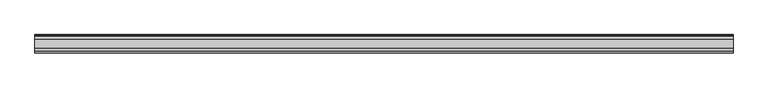
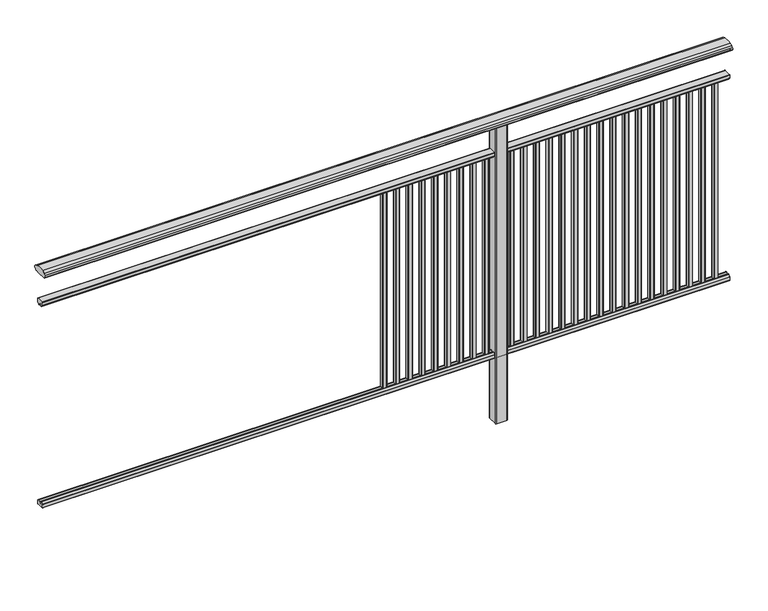
"""IFC4 building model written with IfcOpenShell, lengths in millimetres: railing geometry."""

from ifc_helpers import new_model, si_unit, point, frame, frame_2d, origin, place, context, project, spatial, polyline, circle_curve, trimmed, segment, composite_curve, outline, extrude, source, transform, mapped, element, save


def railing_128df89b(model_context):
    return source(origin(), model_context, "Body", "SweptSolid", [
        extrude(outline(composite_curve([segment(trimmed(circle_curve(frame_2d((7230.3619413, 1153.851602)), 44.999996), [point((7241.0673858, 1197.5596459))], [point((7253.2601573, 1192.5901015))], False, "CARTESIAN"), True, "CONTINUOUS"), segment(trimmed(circle_curve(frame_2d((7244.6097194, 1177.955556)), 17.0), [point((7253.2601573, 1192.5901015))], [point((7259.1544589, 1186.7561556))], False, "CARTESIAN"), True, "CONTINUOUS"), segment(trimmed(circle_curve(frame_2d((7252.0959826, 1182.4852765)), 8.2499997), [point((7259.1544589, 1186.7561556))], [point((7259.1544535, 1178.2143885))], False, "CARTESIAN"), True, "CONTINUOUS"), segment(trimmed(circle_curve(frame_2d((7244.6097251, 1187.0150065)), 17.0), [point((7259.1544535, 1178.2143885))], [point((7253.2601665, 1172.380463))], False, "CARTESIAN"), True, "CONTINUOUS"), segment(trimmed(circle_curve(frame_2d((7230.3619413, 1211.1189571)), 44.999996), [point((7253.2601665, 1172.380463))], [point((7248.7876029, 1170.064181))], False, "CARTESIAN"), True, "CONTINUOUS"), segment(trimmed(circle_curve(frame_2d((7248.1786159, 1172.1635324)), 2.185896), [point((7248.7876029, 1170.064181))], [point((7247.9960148, 1169.9852766))], False, "CARTESIAN"), True, "CONTINUOUS"), segment(trimmed(circle_curve(frame_2d((7247.9960148, 1170.8852766)), 0.9), [point((7247.9960148, 1169.9852766))], [point((7247.0981091, 1170.8239135))], False, "CARTESIAN"), True, "CONTINUOUS"), segment(trimmed(circle_curve(frame_2d((7246.5194733, 1170.8239135)), 0.5786359), [point((7247.0981091, 1170.8239135))], [point((7246.5194733, 1170.2452777))], False, "CARTESIAN"), True, "CONTINUOUS"), segment(polyline([(7246.5194733, 1170.2452777), (7229.5751393, 1170.2452777)]), True, "CONTINUOUS"), segment(trimmed(circle_curve(frame_2d((7220.8508208, 1187.1238497)), 18.999998), [point((7229.5751393, 1170.2452777))], [point((7212.1265024, 1170.2452777))], False, "CARTESIAN"), True, "CONTINUOUS"), segment(polyline([(7212.1265024, 1170.2452777), (7195.1821348, 1170.2452777)]), True, "CONTINUOUS"), segment(trimmed(circle_curve(frame_2d((7195.1821348, 1170.8239135)), 0.5786359), [point((7195.1821348, 1170.2452777))], [point((7194.603499, 1170.8239135))], False, "CARTESIAN"), True, "CONTINUOUS"), segment(trimmed(circle_curve(frame_2d((7193.7055933, 1170.8852766)), 0.9), [point((7194.603499, 1170.8239135))], [point((7193.7055933, 1169.9852766))], False, "CARTESIAN"), True, "CONTINUOUS"), segment(trimmed(circle_curve(frame_2d((7193.5229922, 1172.1635324)), 2.185896), [point((7193.7055933, 1169.9852766))], [point((7192.9140052, 1170.064181))], False, "CARTESIAN"), True, "CONTINUOUS"), segment(trimmed(circle_curve(frame_2d((7211.3396668, 1211.1189571)), 44.999996), [point((7192.9140052, 1170.064181))], [point((7188.8767914, 1172.1264081))], False, "CARTESIAN"), True, "CONTINUOUS"), segment(trimmed(circle_curve(frame_2d((7197.082215, 1187.0150288)), 17.0), [point((7188.8767914, 1172.1264081))], [point((7182.5375128, 1178.2143675))], False, "CARTESIAN"), True, "CONTINUOUS"), segment(trimmed(circle_curve(frame_2d((7189.595971, 1182.4852765)), 8.2499997), [point((7182.5375128, 1178.2143675))], [point((7182.5375074, 1186.7561766))], False, "CARTESIAN"), True, "CONTINUOUS"), segment(trimmed(circle_curve(frame_2d((7197.0822207, 1177.9555337)), 17.0), [point((7182.5375074, 1186.7561766))], [point((7188.4317599, 1192.5900657))], False, "CARTESIAN"), True, "CONTINUOUS"), segment(trimmed(circle_curve(frame_2d((7211.3300365, 1153.851602)), 44.999996), [point((7188.4317599, 1192.5900657))], [point((7200.624592, 1197.5596459))], False, "CARTESIAN"), True, "CONTINUOUS"), segment(trimmed(circle_curve(frame_2d((7220.8459889, 1115.0000001)), 85.0), [point((7200.624592, 1197.5596459))], [point((7241.0673858, 1197.5596459))], False, "CARTESIAN"), True, "CONTINUOUS")], self_intersect=False)), frame((3671.3946925, 0.0, 0.0), z_axis=(1.0, 0.0, 0.0), x_axis=(0.0, 1.0, 0.0)), (0.0, 0.0, 1.0), 3000.0),
        extrude(outline(composite_curve([segment(polyline([(7236.5508136, 100.0), (7205.1507946, 100.0)]), True, "CONTINUOUS"), segment(trimmed(circle_curve(frame_2d((7205.1507946, 101.8)), 1.8), [point((7205.1507946, 100.0))], [point((7203.3507946, 101.8))], False, "CARTESIAN"), True, "CONTINUOUS"), segment(polyline([(7203.3507946, 101.8), (7203.3507946, 115.5269955)]), True, "CONTINUOUS"), segment(trimmed(circle_curve(frame_2d((7205.1507946, 115.5269955)), 1.8), [point((7203.3507946, 115.5269955))], [point((7203.7923399, 116.7079277))], False, "CARTESIAN"), True, "CONTINUOUS"), segment(polyline([(7203.7923399, 116.7079277), (7210.4626384, 124.3809322)]), True, "CONTINUOUS"), segment(trimmed(circle_curve(frame_2d((7211.8210931, 123.2)), 1.8), [point((7210.4626384, 124.3809322))], [point((7211.8210931, 125.0))], False, "CARTESIAN"), True, "CONTINUOUS"), segment(polyline([(7211.8210931, 125.0), (7215.5111113, 125.0), (7216.809143, 113.0), (7224.8924411, 113.0), (7226.1904978, 125.0), (7229.88054, 125.0)]), True, "CONTINUOUS"), segment(trimmed(circle_curve(frame_2d((7229.88054, 123.2)), 1.8), [point((7229.88054, 125.0))], [point((7231.2389969, 124.3809297))], False, "CARTESIAN"), True, "CONTINUOUS"), segment(polyline([(7231.2389969, 124.3809297), (7237.9092704, 116.7079252)]), True, "CONTINUOUS"), segment(trimmed(circle_curve(frame_2d((7236.5508136, 115.5269955)), 1.8), [point((7237.9092704, 116.7079252))], [point((7238.3508136, 115.5269955))], False, "CARTESIAN"), True, "CONTINUOUS"), segment(polyline([(7238.3508136, 115.5269955), (7238.3508136, 101.8)]), True, "CONTINUOUS"), segment(trimmed(circle_curve(frame_2d((7236.5508136, 101.8)), 1.8), [point((7238.3508136, 101.8))], [point((7236.5508136, 100.0))], False, "CARTESIAN"), True, "CONTINUOUS")], self_intersect=False)), frame((3671.3946925, 0.0, 0.0), z_axis=(1.0, 0.0, 0.0), x_axis=(0.0, 1.0, 0.0)), (0.0, 0.0, 1.0), 3000.0),
        extrude(outline(composite_curve([segment(polyline([(7205.1507946, 1050.0), (7236.5508136, 1050.0)]), True, "CONTINUOUS"), segment(trimmed(circle_curve(frame_2d((7236.5508136, 1048.2)), 1.8), [point((7236.5508136, 1050.0))], [point((7238.3508136, 1048.2))], False, "CARTESIAN"), True, "CONTINUOUS"), segment(polyline([(7238.3508136, 1048.2), (7238.3508136, 1034.4730045)]), True, "CONTINUOUS"), segment(trimmed(circle_curve(frame_2d((7236.5508136, 1034.4730045)), 1.8), [point((7238.3508136, 1034.4730045))], [point((7237.9092704, 1033.2920748))], False, "CARTESIAN"), True, "CONTINUOUS"), segment(polyline([(7237.9092704, 1033.2920748), (7231.2389969, 1025.6190703)]), True, "CONTINUOUS"), segment(trimmed(circle_curve(frame_2d((7229.88054, 1026.8)), 1.8), [point((7231.2389969, 1025.6190703))], [point((7229.88054, 1025.0))], False, "CARTESIAN"), True, "CONTINUOUS"), segment(polyline([(7229.88054, 1025.0), (7226.1904978, 1025.0), (7224.8924411, 1037.0), (7216.809143, 1037.0), (7215.5111113, 1025.0), (7211.8210931, 1025.0)]), True, "CONTINUOUS"), segment(trimmed(circle_curve(frame_2d((7211.8210931, 1026.8)), 1.8), [point((7211.8210931, 1025.0))], [point((7210.4626384, 1025.6190678))], False, "CARTESIAN"), True, "CONTINUOUS"), segment(polyline([(7210.4626384, 1025.6190678), (7203.7923399, 1033.2920723)]), True, "CONTINUOUS"), segment(trimmed(circle_curve(frame_2d((7205.1507946, 1034.4730045)), 1.8), [point((7203.7923399, 1033.2920723))], [point((7203.3507946, 1034.4730045))], False, "CARTESIAN"), True, "CONTINUOUS"), segment(polyline([(7203.3507946, 1034.4730045), (7203.3507946, 1048.2)]), True, "CONTINUOUS"), segment(trimmed(circle_curve(frame_2d((7205.1507946, 1048.2)), 1.8), [point((7203.3507946, 1048.2))], [point((7205.1507946, 1050.0))], False, "CARTESIAN"), True, "CONTINUOUS")], self_intersect=False)), frame((3671.3946925, 0.0, 0.0), z_axis=(1.0, 0.0, 0.0), x_axis=(0.0, 1.0, 0.0)), (0.0, 0.0, 1.0), 3000.0),
        extrude(outline(composite_curve([segment(trimmed(circle_curve(frame_2d((6608.2391355, 7228.4508236)), 1.4), [point((6606.8391355, 7228.4508236))], [point((6608.2391355, 7229.8508236))], False, "CARTESIAN"), True, "CONTINUOUS"), segment(polyline([(6608.2391355, 7229.8508236), (6623.4391385, 7229.8508236)]), True, "CONTINUOUS"), segment(trimmed(circle_curve(frame_2d((6623.4391385, 7228.4508236)), 1.4), [point((6623.4391385, 7229.8508236))], [point((6624.8391385, 7228.4508236))], False, "CARTESIAN"), True, "CONTINUOUS"), segment(polyline([(6624.8391385, 7228.4508236), (6624.8391385, 7213.2507846)]), True, "CONTINUOUS"), segment(trimmed(circle_curve(frame_2d((6623.4391385, 7213.2507846)), 1.4), [point((6624.8391385, 7213.2507846))], [point((6623.4391385, 7211.8507846))], False, "CARTESIAN"), True, "CONTINUOUS"), segment(polyline([(6623.4391385, 7211.8507846), (6608.2391355, 7211.8507846)]), True, "CONTINUOUS"), segment(trimmed(circle_curve(frame_2d((6608.2391355, 7213.2507846)), 1.4), [point((6608.2391355, 7211.8507846))], [point((6606.8391355, 7213.2507846))], False, "CARTESIAN"), True, "CONTINUOUS"), segment(polyline([(6606.8391355, 7213.2507846), (6606.8391355, 7228.4508236)]), True, "CONTINUOUS")], self_intersect=False)), frame((0.0, 0.0, 125.0), z_axis=(0.0, 0.0, 1.0), x_axis=(1.0, 0.0, 0.0)), (0.0, 0.0, 1.0), 900.0),
        extrude(outline(composite_curve([segment(trimmed(circle_curve(frame_2d((6552.6835799, 7228.4508236)), 1.4), [point((6551.2835799, 7228.4508236))], [point((6552.6835799, 7229.8508236))], False, "CARTESIAN"), True, "CONTINUOUS"), segment(polyline([(6552.6835799, 7229.8508236), (6567.8835829, 7229.8508236)]), True, "CONTINUOUS"), segment(trimmed(circle_curve(frame_2d((6567.8835829, 7228.4508236)), 1.4), [point((6567.8835829, 7229.8508236))], [point((6569.2835829, 7228.4508236))], False, "CARTESIAN"), True, "CONTINUOUS"), segment(polyline([(6569.2835829, 7228.4508236), (6569.2835829, 7213.2507846)]), True, "CONTINUOUS"), segment(trimmed(circle_curve(frame_2d((6567.8835829, 7213.2507846)), 1.4), [point((6569.2835829, 7213.2507846))], [point((6567.8835829, 7211.8507846))], False, "CARTESIAN"), True, "CONTINUOUS"), segment(polyline([(6567.8835829, 7211.8507846), (6552.6835799, 7211.8507846)]), True, "CONTINUOUS"), segment(trimmed(circle_curve(frame_2d((6552.6835799, 7213.2507846)), 1.4), [point((6552.6835799, 7211.8507846))], [point((6551.2835799, 7213.2507846))], False, "CARTESIAN"), True, "CONTINUOUS"), segment(polyline([(6551.2835799, 7213.2507846), (6551.2835799, 7228.4508236)]), True, "CONTINUOUS")], self_intersect=False)), frame((0.0, 0.0, 125.0), z_axis=(0.0, 0.0, 1.0), x_axis=(1.0, 0.0, 0.0)), (0.0, 0.0, 1.0), 900.0),
        extrude(outline(composite_curve([segment(trimmed(circle_curve(frame_2d((6497.1280244, 7228.4508236)), 1.4), [point((6495.7280244, 7228.4508236))], [point((6497.1280244, 7229.8508236))], False, "CARTESIAN"), True, "CONTINUOUS"), segment(polyline([(6497.1280244, 7229.8508236), (6512.3280274, 7229.8508236)]), True, "CONTINUOUS"), segment(trimmed(circle_curve(frame_2d((6512.3280274, 7228.4508236)), 1.4), [point((6512.3280274, 7229.8508236))], [point((6513.7280274, 7228.4508236))], False, "CARTESIAN"), True, "CONTINUOUS"), segment(polyline([(6513.7280274, 7228.4508236), (6513.7280274, 7213.2507846)]), True, "CONTINUOUS"), segment(trimmed(circle_curve(frame_2d((6512.3280274, 7213.2507846)), 1.4), [point((6513.7280274, 7213.2507846))], [point((6512.3280274, 7211.8507846))], False, "CARTESIAN"), True, "CONTINUOUS"), segment(polyline([(6512.3280274, 7211.8507846), (6497.1280244, 7211.8507846)]), True, "CONTINUOUS"), segment(trimmed(circle_curve(frame_2d((6497.1280244, 7213.2507846)), 1.4), [point((6497.1280244, 7211.8507846))], [point((6495.7280244, 7213.2507846))], False, "CARTESIAN"), True, "CONTINUOUS"), segment(polyline([(6495.7280244, 7213.2507846), (6495.7280244, 7228.4508236)]), True, "CONTINUOUS")], self_intersect=False)), frame((0.0, 0.0, 125.0), z_axis=(0.0, 0.0, 1.0), x_axis=(1.0, 0.0, 0.0)), (0.0, 0.0, 1.0), 900.0),
        extrude(outline(composite_curve([segment(trimmed(circle_curve(frame_2d((6441.5724688, 7228.4508236)), 1.4), [point((6440.1724688, 7228.4508236))], [point((6441.5724688, 7229.8508236))], False, "CARTESIAN"), True, "CONTINUOUS"), segment(polyline([(6441.5724688, 7229.8508236), (6456.7724718, 7229.8508236)]), True, "CONTINUOUS"), segment(trimmed(circle_curve(frame_2d((6456.7724718, 7228.4508236)), 1.4), [point((6456.7724718, 7229.8508236))], [point((6458.1724718, 7228.4508236))], False, "CARTESIAN"), True, "CONTINUOUS"), segment(polyline([(6458.1724718, 7228.4508236), (6458.1724718, 7213.2507846)]), True, "CONTINUOUS"), segment(trimmed(circle_curve(frame_2d((6456.7724718, 7213.2507846)), 1.4), [point((6458.1724718, 7213.2507846))], [point((6456.7724718, 7211.8507846))], False, "CARTESIAN"), True, "CONTINUOUS"), segment(polyline([(6456.7724718, 7211.8507846), (6441.5724688, 7211.8507846)]), True, "CONTINUOUS"), segment(trimmed(circle_curve(frame_2d((6441.5724688, 7213.2507846)), 1.4), [point((6441.5724688, 7211.8507846))], [point((6440.1724688, 7213.2507846))], False, "CARTESIAN"), True, "CONTINUOUS"), segment(polyline([(6440.1724688, 7213.2507846), (6440.1724688, 7228.4508236)]), True, "CONTINUOUS")], self_intersect=False)), frame((0.0, 0.0, 125.0), z_axis=(0.0, 0.0, 1.0), x_axis=(1.0, 0.0, 0.0)), (0.0, 0.0, 1.0), 900.0),
        extrude(outline(composite_curve([segment(trimmed(circle_curve(frame_2d((6386.0169133, 7228.4508236)), 1.4), [point((6384.6169133, 7228.4508236))], [point((6386.0169133, 7229.8508236))], False, "CARTESIAN"), True, "CONTINUOUS"), segment(polyline([(6386.0169133, 7229.8508236), (6401.2169163, 7229.8508236)]), True, "CONTINUOUS"), segment(trimmed(circle_curve(frame_2d((6401.2169163, 7228.4508236)), 1.4), [point((6401.2169163, 7229.8508236))], [point((6402.6169163, 7228.4508236))], False, "CARTESIAN"), True, "CONTINUOUS"), segment(polyline([(6402.6169163, 7228.4508236), (6402.6169163, 7213.2507846)]), True, "CONTINUOUS"), segment(trimmed(circle_curve(frame_2d((6401.2169163, 7213.2507846)), 1.4), [point((6402.6169163, 7213.2507846))], [point((6401.2169163, 7211.8507846))], False, "CARTESIAN"), True, "CONTINUOUS"), segment(polyline([(6401.2169163, 7211.8507846), (6386.0169133, 7211.8507846)]), True, "CONTINUOUS"), segment(trimmed(circle_curve(frame_2d((6386.0169133, 7213.2507846)), 1.4), [point((6386.0169133, 7211.8507846))], [point((6384.6169133, 7213.2507846))], False, "CARTESIAN"), True, "CONTINUOUS"), segment(polyline([(6384.6169133, 7213.2507846), (6384.6169133, 7228.4508236)]), True, "CONTINUOUS")], self_intersect=False)), frame((0.0, 0.0, 125.0), z_axis=(0.0, 0.0, 1.0), x_axis=(1.0, 0.0, 0.0)), (0.0, 0.0, 1.0), 900.0),
        extrude(outline(composite_curve([segment(trimmed(circle_curve(frame_2d((6330.4613577, 7228.4508236)), 1.4), [point((6329.0613577, 7228.4508236))], [point((6330.4613577, 7229.8508236))], False, "CARTESIAN"), True, "CONTINUOUS"), segment(polyline([(6330.4613577, 7229.8508236), (6345.6613607, 7229.8508236)]), True, "CONTINUOUS"), segment(trimmed(circle_curve(frame_2d((6345.6613607, 7228.4508236)), 1.4), [point((6345.6613607, 7229.8508236))], [point((6347.0613607, 7228.4508236))], False, "CARTESIAN"), True, "CONTINUOUS"), segment(polyline([(6347.0613607, 7228.4508236), (6347.0613607, 7213.2507846)]), True, "CONTINUOUS"), segment(trimmed(circle_curve(frame_2d((6345.6613607, 7213.2507846)), 1.4), [point((6347.0613607, 7213.2507846))], [point((6345.6613607, 7211.8507846))], False, "CARTESIAN"), True, "CONTINUOUS"), segment(polyline([(6345.6613607, 7211.8507846), (6330.4613577, 7211.8507846)]), True, "CONTINUOUS"), segment(trimmed(circle_curve(frame_2d((6330.4613577, 7213.2507846)), 1.4), [point((6330.4613577, 7211.8507846))], [point((6329.0613577, 7213.2507846))], False, "CARTESIAN"), True, "CONTINUOUS"), segment(polyline([(6329.0613577, 7213.2507846), (6329.0613577, 7228.4508236)]), True, "CONTINUOUS")], self_intersect=False)), frame((0.0, 0.0, 125.0), z_axis=(0.0, 0.0, 1.0), x_axis=(1.0, 0.0, 0.0)), (0.0, 0.0, 1.0), 900.0),
        extrude(outline(composite_curve([segment(trimmed(circle_curve(frame_2d((6274.9058021, 7228.4508236)), 1.4), [point((6273.5058021, 7228.4508236))], [point((6274.9058021, 7229.8508236))], False, "CARTESIAN"), True, "CONTINUOUS"), segment(polyline([(6274.9058021, 7229.8508236), (6290.1058051, 7229.8508236)]), True, "CONTINUOUS"), segment(trimmed(circle_curve(frame_2d((6290.1058051, 7228.4508236)), 1.4), [point((6290.1058051, 7229.8508236))], [point((6291.5058051, 7228.4508236))], False, "CARTESIAN"), True, "CONTINUOUS"), segment(polyline([(6291.5058051, 7228.4508236), (6291.5058051, 7213.2507846)]), True, "CONTINUOUS"), segment(trimmed(circle_curve(frame_2d((6290.1058051, 7213.2507846)), 1.4), [point((6291.5058051, 7213.2507846))], [point((6290.1058051, 7211.8507846))], False, "CARTESIAN"), True, "CONTINUOUS"), segment(polyline([(6290.1058051, 7211.8507846), (6274.9058021, 7211.8507846)]), True, "CONTINUOUS"), segment(trimmed(circle_curve(frame_2d((6274.9058021, 7213.2507846)), 1.4), [point((6274.9058021, 7211.8507846))], [point((6273.5058021, 7213.2507846))], False, "CARTESIAN"), True, "CONTINUOUS"), segment(polyline([(6273.5058021, 7213.2507846), (6273.5058021, 7228.4508236)]), True, "CONTINUOUS")], self_intersect=False)), frame((0.0, 0.0, 125.0), z_axis=(0.0, 0.0, 1.0), x_axis=(1.0, 0.0, 0.0)), (0.0, 0.0, 1.0), 900.0),
        extrude(outline(composite_curve([segment(trimmed(circle_curve(frame_2d((6219.3502466, 7228.4508236)), 1.4), [point((6217.9502466, 7228.4508236))], [point((6219.3502466, 7229.8508236))], False, "CARTESIAN"), True, "CONTINUOUS"), segment(polyline([(6219.3502466, 7229.8508236), (6234.5502496, 7229.8508236)]), True, "CONTINUOUS"), segment(trimmed(circle_curve(frame_2d((6234.5502496, 7228.4508236)), 1.4), [point((6234.5502496, 7229.8508236))], [point((6235.9502496, 7228.4508236))], False, "CARTESIAN"), True, "CONTINUOUS"), segment(polyline([(6235.9502496, 7228.4508236), (6235.9502496, 7213.2507846)]), True, "CONTINUOUS"), segment(trimmed(circle_curve(frame_2d((6234.5502496, 7213.2507846)), 1.4), [point((6235.9502496, 7213.2507846))], [point((6234.5502496, 7211.8507846))], False, "CARTESIAN"), True, "CONTINUOUS"), segment(polyline([(6234.5502496, 7211.8507846), (6219.3502466, 7211.8507846)]), True, "CONTINUOUS"), segment(trimmed(circle_curve(frame_2d((6219.3502466, 7213.2507846)), 1.4), [point((6219.3502466, 7211.8507846))], [point((6217.9502466, 7213.2507846))], False, "CARTESIAN"), True, "CONTINUOUS"), segment(polyline([(6217.9502466, 7213.2507846), (6217.9502466, 7228.4508236)]), True, "CONTINUOUS")], self_intersect=False)), frame((0.0, 0.0, 125.0), z_axis=(0.0, 0.0, 1.0), x_axis=(1.0, 0.0, 0.0)), (0.0, 0.0, 1.0), 900.0),
        extrude(outline(composite_curve([segment(trimmed(circle_curve(frame_2d((6163.794691, 7228.4508236)), 1.4), [point((6162.394691, 7228.4508236))], [point((6163.794691, 7229.8508236))], False, "CARTESIAN"), True, "CONTINUOUS"), segment(polyline([(6163.794691, 7229.8508236), (6178.994694, 7229.8508236)]), True, "CONTINUOUS"), segment(trimmed(circle_curve(frame_2d((6178.994694, 7228.4508236)), 1.4), [point((6178.994694, 7229.8508236))], [point((6180.394694, 7228.4508236))], False, "CARTESIAN"), True, "CONTINUOUS"), segment(polyline([(6180.394694, 7228.4508236), (6180.394694, 7213.2507846)]), True, "CONTINUOUS"), segment(trimmed(circle_curve(frame_2d((6178.994694, 7213.2507846)), 1.4), [point((6180.394694, 7213.2507846))], [point((6178.994694, 7211.8507846))], False, "CARTESIAN"), True, "CONTINUOUS"), segment(polyline([(6178.994694, 7211.8507846), (6163.794691, 7211.8507846)]), True, "CONTINUOUS"), segment(trimmed(circle_curve(frame_2d((6163.794691, 7213.2507846)), 1.4), [point((6163.794691, 7211.8507846))], [point((6162.394691, 7213.2507846))], False, "CARTESIAN"), True, "CONTINUOUS"), segment(polyline([(6162.394691, 7213.2507846), (6162.394691, 7228.4508236)]), True, "CONTINUOUS")], self_intersect=False)), frame((0.0, 0.0, 125.0), z_axis=(0.0, 0.0, 1.0), x_axis=(1.0, 0.0, 0.0)), (0.0, 0.0, 1.0), 900.0),
        extrude(outline(composite_curve([segment(trimmed(circle_curve(frame_2d((6108.2391355, 7228.4508236)), 1.4), [point((6106.8391355, 7228.4508236))], [point((6108.2391355, 7229.8508236))], False, "CARTESIAN"), True, "CONTINUOUS"), segment(polyline([(6108.2391355, 7229.8508236), (6123.4391385, 7229.8508236)]), True, "CONTINUOUS"), segment(trimmed(circle_curve(frame_2d((6123.4391385, 7228.4508236)), 1.4), [point((6123.4391385, 7229.8508236))], [point((6124.8391385, 7228.4508236))], False, "CARTESIAN"), True, "CONTINUOUS"), segment(polyline([(6124.8391385, 7228.4508236), (6124.8391385, 7213.2507846)]), True, "CONTINUOUS"), segment(trimmed(circle_curve(frame_2d((6123.4391385, 7213.2507846)), 1.4), [point((6124.8391385, 7213.2507846))], [point((6123.4391385, 7211.8507846))], False, "CARTESIAN"), True, "CONTINUOUS"), segment(polyline([(6123.4391385, 7211.8507846), (6108.2391355, 7211.8507846)]), True, "CONTINUOUS"), segment(trimmed(circle_curve(frame_2d((6108.2391355, 7213.2507846)), 1.4), [point((6108.2391355, 7211.8507846))], [point((6106.8391355, 7213.2507846))], False, "CARTESIAN"), True, "CONTINUOUS"), segment(polyline([(6106.8391355, 7213.2507846), (6106.8391355, 7228.4508236)]), True, "CONTINUOUS")], self_intersect=False)), frame((0.0, 0.0, 125.0), z_axis=(0.0, 0.0, 1.0), x_axis=(1.0, 0.0, 0.0)), (0.0, 0.0, 1.0), 900.0),
        extrude(outline(composite_curve([segment(trimmed(circle_curve(frame_2d((6052.6835799, 7228.4508236)), 1.4), [point((6051.2835799, 7228.4508236))], [point((6052.6835799, 7229.8508236))], False, "CARTESIAN"), True, "CONTINUOUS"), segment(polyline([(6052.6835799, 7229.8508236), (6067.8835829, 7229.8508236)]), True, "CONTINUOUS"), segment(trimmed(circle_curve(frame_2d((6067.8835829, 7228.4508236)), 1.4), [point((6067.8835829, 7229.8508236))], [point((6069.2835829, 7228.4508236))], False, "CARTESIAN"), True, "CONTINUOUS"), segment(polyline([(6069.2835829, 7228.4508236), (6069.2835829, 7213.2507846)]), True, "CONTINUOUS"), segment(trimmed(circle_curve(frame_2d((6067.8835829, 7213.2507846)), 1.4), [point((6069.2835829, 7213.2507846))], [point((6067.8835829, 7211.8507846))], False, "CARTESIAN"), True, "CONTINUOUS"), segment(polyline([(6067.8835829, 7211.8507846), (6052.6835799, 7211.8507846)]), True, "CONTINUOUS"), segment(trimmed(circle_curve(frame_2d((6052.6835799, 7213.2507846)), 1.4), [point((6052.6835799, 7211.8507846))], [point((6051.2835799, 7213.2507846))], False, "CARTESIAN"), True, "CONTINUOUS"), segment(polyline([(6051.2835799, 7213.2507846), (6051.2835799, 7228.4508236)]), True, "CONTINUOUS")], self_intersect=False)), frame((0.0, 0.0, 125.0), z_axis=(0.0, 0.0, 1.0), x_axis=(1.0, 0.0, 0.0)), (0.0, 0.0, 1.0), 900.0),
        extrude(outline(composite_curve([segment(trimmed(circle_curve(frame_2d((5997.1280244, 7228.4508236)), 1.4), [point((5995.7280244, 7228.4508236))], [point((5997.1280244, 7229.8508236))], False, "CARTESIAN"), True, "CONTINUOUS"), segment(polyline([(5997.1280244, 7229.8508236), (6012.3280274, 7229.8508236)]), True, "CONTINUOUS"), segment(trimmed(circle_curve(frame_2d((6012.3280274, 7228.4508236)), 1.4), [point((6012.3280274, 7229.8508236))], [point((6013.7280274, 7228.4508236))], False, "CARTESIAN"), True, "CONTINUOUS"), segment(polyline([(6013.7280274, 7228.4508236), (6013.7280274, 7213.2507846)]), True, "CONTINUOUS"), segment(trimmed(circle_curve(frame_2d((6012.3280274, 7213.2507846)), 1.4), [point((6013.7280274, 7213.2507846))], [point((6012.3280274, 7211.8507846))], False, "CARTESIAN"), True, "CONTINUOUS"), segment(polyline([(6012.3280274, 7211.8507846), (5997.1280244, 7211.8507846)]), True, "CONTINUOUS"), segment(trimmed(circle_curve(frame_2d((5997.1280244, 7213.2507846)), 1.4), [point((5997.1280244, 7211.8507846))], [point((5995.7280244, 7213.2507846))], False, "CARTESIAN"), True, "CONTINUOUS"), segment(polyline([(5995.7280244, 7213.2507846), (5995.7280244, 7228.4508236)]), True, "CONTINUOUS")], self_intersect=False)), frame((0.0, 0.0, 125.0), z_axis=(0.0, 0.0, 1.0), x_axis=(1.0, 0.0, 0.0)), (0.0, 0.0, 1.0), 900.0),
        extrude(outline(composite_curve([segment(trimmed(circle_curve(frame_2d((5941.5724688, 7228.4508236)), 1.4), [point((5940.1724688, 7228.4508236))], [point((5941.5724688, 7229.8508236))], False, "CARTESIAN"), True, "CONTINUOUS"), segment(polyline([(5941.5724688, 7229.8508236), (5956.7724718, 7229.8508236)]), True, "CONTINUOUS"), segment(trimmed(circle_curve(frame_2d((5956.7724718, 7228.4508236)), 1.4), [point((5956.7724718, 7229.8508236))], [point((5958.1724718, 7228.4508236))], False, "CARTESIAN"), True, "CONTINUOUS"), segment(polyline([(5958.1724718, 7228.4508236), (5958.1724718, 7213.2507846)]), True, "CONTINUOUS"), segment(trimmed(circle_curve(frame_2d((5956.7724718, 7213.2507846)), 1.4), [point((5958.1724718, 7213.2507846))], [point((5956.7724718, 7211.8507846))], False, "CARTESIAN"), True, "CONTINUOUS"), segment(polyline([(5956.7724718, 7211.8507846), (5941.5724688, 7211.8507846)]), True, "CONTINUOUS"), segment(trimmed(circle_curve(frame_2d((5941.5724688, 7213.2507846)), 1.4), [point((5941.5724688, 7211.8507846))], [point((5940.1724688, 7213.2507846))], False, "CARTESIAN"), True, "CONTINUOUS"), segment(polyline([(5940.1724688, 7213.2507846), (5940.1724688, 7228.4508236)]), True, "CONTINUOUS")], self_intersect=False)), frame((0.0, 0.0, 125.0), z_axis=(0.0, 0.0, 1.0), x_axis=(1.0, 0.0, 0.0)), (0.0, 0.0, 1.0), 900.0),
        extrude(outline(composite_curve([segment(trimmed(circle_curve(frame_2d((5886.0169133, 7228.4508236)), 1.4), [point((5884.6169133, 7228.4508236))], [point((5886.0169133, 7229.8508236))], False, "CARTESIAN"), True, "CONTINUOUS"), segment(polyline([(5886.0169133, 7229.8508236), (5901.2169163, 7229.8508236)]), True, "CONTINUOUS"), segment(trimmed(circle_curve(frame_2d((5901.2169163, 7228.4508236)), 1.4), [point((5901.2169163, 7229.8508236))], [point((5902.6169163, 7228.4508236))], False, "CARTESIAN"), True, "CONTINUOUS"), segment(polyline([(5902.6169163, 7228.4508236), (5902.6169163, 7213.2507846)]), True, "CONTINUOUS"), segment(trimmed(circle_curve(frame_2d((5901.2169163, 7213.2507846)), 1.4), [point((5902.6169163, 7213.2507846))], [point((5901.2169163, 7211.8507846))], False, "CARTESIAN"), True, "CONTINUOUS"), segment(polyline([(5901.2169163, 7211.8507846), (5886.0169133, 7211.8507846)]), True, "CONTINUOUS"), segment(trimmed(circle_curve(frame_2d((5886.0169133, 7213.2507846)), 1.4), [point((5886.0169133, 7211.8507846))], [point((5884.6169133, 7213.2507846))], False, "CARTESIAN"), True, "CONTINUOUS"), segment(polyline([(5884.6169133, 7213.2507846), (5884.6169133, 7228.4508236)]), True, "CONTINUOUS")], self_intersect=False)), frame((0.0, 0.0, 125.0), z_axis=(0.0, 0.0, 1.0), x_axis=(1.0, 0.0, 0.0)), (0.0, 0.0, 1.0), 900.0),
        extrude(outline(composite_curve([segment(trimmed(circle_curve(frame_2d((5830.4613577, 7228.4508236)), 1.4), [point((5829.0613577, 7228.4508236))], [point((5830.4613577, 7229.8508236))], False, "CARTESIAN"), True, "CONTINUOUS"), segment(polyline([(5830.4613577, 7229.8508236), (5845.6613607, 7229.8508236)]), True, "CONTINUOUS"), segment(trimmed(circle_curve(frame_2d((5845.6613607, 7228.4508236)), 1.4), [point((5845.6613607, 7229.8508236))], [point((5847.0613607, 7228.4508236))], False, "CARTESIAN"), True, "CONTINUOUS"), segment(polyline([(5847.0613607, 7228.4508236), (5847.0613607, 7213.2507846)]), True, "CONTINUOUS"), segment(trimmed(circle_curve(frame_2d((5845.6613607, 7213.2507846)), 1.4), [point((5847.0613607, 7213.2507846))], [point((5845.6613607, 7211.8507846))], False, "CARTESIAN"), True, "CONTINUOUS"), segment(polyline([(5845.6613607, 7211.8507846), (5830.4613577, 7211.8507846)]), True, "CONTINUOUS"), segment(trimmed(circle_curve(frame_2d((5830.4613577, 7213.2507846)), 1.4), [point((5830.4613577, 7211.8507846))], [point((5829.0613577, 7213.2507846))], False, "CARTESIAN"), True, "CONTINUOUS"), segment(polyline([(5829.0613577, 7213.2507846), (5829.0613577, 7228.4508236)]), True, "CONTINUOUS")], self_intersect=False)), frame((0.0, 0.0, 125.0), z_axis=(0.0, 0.0, 1.0), x_axis=(1.0, 0.0, 0.0)), (0.0, 0.0, 1.0), 900.0),
        extrude(outline(composite_curve([segment(trimmed(circle_curve(frame_2d((5774.9058021, 7228.4508236)), 1.4), [point((5773.5058021, 7228.4508236))], [point((5774.9058021, 7229.8508236))], False, "CARTESIAN"), True, "CONTINUOUS"), segment(polyline([(5774.9058021, 7229.8508236), (5790.1058051, 7229.8508236)]), True, "CONTINUOUS"), segment(trimmed(circle_curve(frame_2d((5790.1058051, 7228.4508236)), 1.4), [point((5790.1058051, 7229.8508236))], [point((5791.5058051, 7228.4508236))], False, "CARTESIAN"), True, "CONTINUOUS"), segment(polyline([(5791.5058051, 7228.4508236), (5791.5058051, 7213.2507846)]), True, "CONTINUOUS"), segment(trimmed(circle_curve(frame_2d((5790.1058051, 7213.2507846)), 1.4), [point((5791.5058051, 7213.2507846))], [point((5790.1058051, 7211.8507846))], False, "CARTESIAN"), True, "CONTINUOUS"), segment(polyline([(5790.1058051, 7211.8507846), (5774.9058021, 7211.8507846)]), True, "CONTINUOUS"), segment(trimmed(circle_curve(frame_2d((5774.9058021, 7213.2507846)), 1.4), [point((5774.9058021, 7211.8507846))], [point((5773.5058021, 7213.2507846))], False, "CARTESIAN"), True, "CONTINUOUS"), segment(polyline([(5773.5058021, 7213.2507846), (5773.5058021, 7228.4508236)]), True, "CONTINUOUS")], self_intersect=False)), frame((0.0, 0.0, 125.0), z_axis=(0.0, 0.0, 1.0), x_axis=(1.0, 0.0, 0.0)), (0.0, 0.0, 1.0), 900.0),
        extrude(outline(composite_curve([segment(trimmed(circle_curve(frame_2d((5719.3502466, 7228.4508236)), 1.4), [point((5717.9502466, 7228.4508236))], [point((5719.3502466, 7229.8508236))], False, "CARTESIAN"), True, "CONTINUOUS"), segment(polyline([(5719.3502466, 7229.8508236), (5734.5502496, 7229.8508236)]), True, "CONTINUOUS"), segment(trimmed(circle_curve(frame_2d((5734.5502496, 7228.4508236)), 1.4), [point((5734.5502496, 7229.8508236))], [point((5735.9502496, 7228.4508236))], False, "CARTESIAN"), True, "CONTINUOUS"), segment(polyline([(5735.9502496, 7228.4508236), (5735.9502496, 7213.2507846)]), True, "CONTINUOUS"), segment(trimmed(circle_curve(frame_2d((5734.5502496, 7213.2507846)), 1.4), [point((5735.9502496, 7213.2507846))], [point((5734.5502496, 7211.8507846))], False, "CARTESIAN"), True, "CONTINUOUS"), segment(polyline([(5734.5502496, 7211.8507846), (5719.3502466, 7211.8507846)]), True, "CONTINUOUS"), segment(trimmed(circle_curve(frame_2d((5719.3502466, 7213.2507846)), 1.4), [point((5719.3502466, 7211.8507846))], [point((5717.9502466, 7213.2507846))], False, "CARTESIAN"), True, "CONTINUOUS"), segment(polyline([(5717.9502466, 7213.2507846), (5717.9502466, 7228.4508236)]), True, "CONTINUOUS")], self_intersect=False)), frame((0.0, 0.0, 125.0), z_axis=(0.0, 0.0, 1.0), x_axis=(1.0, 0.0, 0.0)), (0.0, 0.0, 1.0), 900.0),
        extrude(outline(composite_curve([segment(trimmed(circle_curve(frame_2d((5693.7947043, 7243.2508153)), 3.0), [point((5693.794704, 7246.2508153))], [point((5696.7947043, 7243.2508156))], False, "CARTESIAN"), True, "CONTINUOUS"), segment(polyline([(5696.7947043, 7243.2508156), (5696.7947083, 7198.4507926)]), True, "CONTINUOUS"), segment(trimmed(circle_curve(frame_2d((5693.7947083, 7198.4507923)), 3.0), [point((5696.7947083, 7198.4507926))], [point((5693.7947086, 7195.4507923))], False, "CARTESIAN"), True, "CONTINUOUS"), segment(polyline([(5693.7947086, 7195.4507923), (5648.9946856, 7195.4507883)]), True, "CONTINUOUS"), segment(trimmed(circle_curve(frame_2d((5648.9946853, 7198.4507883)), 3.0), [point((5648.9946856, 7195.4507883))], [point((5645.9946853, 7198.450788))], False, "CARTESIAN"), True, "CONTINUOUS"), segment(polyline([(5645.9946853, 7198.450788), (5645.9946813, 7243.250811)]), True, "CONTINUOUS"), segment(trimmed(circle_curve(frame_2d((5648.9946813, 7243.2508113)), 3.0), [point((5645.9946813, 7243.250811))], [point((5648.994681, 7246.2508113))], False, "CARTESIAN"), True, "CONTINUOUS"), segment(polyline([(5648.994681, 7246.2508113), (5693.794704, 7246.2508153)]), True, "CONTINUOUS")], self_intersect=False)), frame((0.0, 0.0, -198.0), z_axis=(0.0, 0.0, 1.0), x_axis=(1.0, 0.0, 0.0)), (0.0, 0.0, 1.0), 1366.1238517),
        extrude(outline(composite_curve([segment(trimmed(circle_curve(frame_2d((5608.2391355, 7228.4508236)), 1.4), [point((5606.8391355, 7228.4508236))], [point((5608.2391355, 7229.8508236))], False, "CARTESIAN"), True, "CONTINUOUS"), segment(polyline([(5608.2391355, 7229.8508236), (5623.4391385, 7229.8508236)]), True, "CONTINUOUS"), segment(trimmed(circle_curve(frame_2d((5623.4391385, 7228.4508236)), 1.4), [point((5623.4391385, 7229.8508236))], [point((5624.8391385, 7228.4508236))], False, "CARTESIAN"), True, "CONTINUOUS"), segment(polyline([(5624.8391385, 7228.4508236), (5624.8391385, 7213.2507846)]), True, "CONTINUOUS"), segment(trimmed(circle_curve(frame_2d((5623.4391385, 7213.2507846)), 1.4), [point((5624.8391385, 7213.2507846))], [point((5623.4391385, 7211.8507846))], False, "CARTESIAN"), True, "CONTINUOUS"), segment(polyline([(5623.4391385, 7211.8507846), (5608.2391355, 7211.8507846)]), True, "CONTINUOUS"), segment(trimmed(circle_curve(frame_2d((5608.2391355, 7213.2507846)), 1.4), [point((5608.2391355, 7211.8507846))], [point((5606.8391355, 7213.2507846))], False, "CARTESIAN"), True, "CONTINUOUS"), segment(polyline([(5606.8391355, 7213.2507846), (5606.8391355, 7228.4508236)]), True, "CONTINUOUS")], self_intersect=False)), frame((0.0, 0.0, 125.0), z_axis=(0.0, 0.0, 1.0), x_axis=(1.0, 0.0, 0.0)), (0.0, 0.0, 1.0), 900.0),
        extrude(outline(composite_curve([segment(trimmed(circle_curve(frame_2d((5552.6835799, 7228.4508236)), 1.4), [point((5551.2835799, 7228.4508236))], [point((5552.6835799, 7229.8508236))], False, "CARTESIAN"), True, "CONTINUOUS"), segment(polyline([(5552.6835799, 7229.8508236), (5567.8835829, 7229.8508236)]), True, "CONTINUOUS"), segment(trimmed(circle_curve(frame_2d((5567.8835829, 7228.4508236)), 1.4), [point((5567.8835829, 7229.8508236))], [point((5569.2835829, 7228.4508236))], False, "CARTESIAN"), True, "CONTINUOUS"), segment(polyline([(5569.2835829, 7228.4508236), (5569.2835829, 7213.2507846)]), True, "CONTINUOUS"), segment(trimmed(circle_curve(frame_2d((5567.8835829, 7213.2507846)), 1.4), [point((5569.2835829, 7213.2507846))], [point((5567.8835829, 7211.8507846))], False, "CARTESIAN"), True, "CONTINUOUS"), segment(polyline([(5567.8835829, 7211.8507846), (5552.6835799, 7211.8507846)]), True, "CONTINUOUS"), segment(trimmed(circle_curve(frame_2d((5552.6835799, 7213.2507846)), 1.4), [point((5552.6835799, 7211.8507846))], [point((5551.2835799, 7213.2507846))], False, "CARTESIAN"), True, "CONTINUOUS"), segment(polyline([(5551.2835799, 7213.2507846), (5551.2835799, 7228.4508236)]), True, "CONTINUOUS")], self_intersect=False)), frame((0.0, 0.0, 125.0), z_axis=(0.0, 0.0, 1.0), x_axis=(1.0, 0.0, 0.0)), (0.0, 0.0, 1.0), 900.0),
        extrude(outline(composite_curve([segment(trimmed(circle_curve(frame_2d((5497.1280244, 7228.4508236)), 1.4), [point((5495.7280244, 7228.4508236))], [point((5497.1280244, 7229.8508236))], False, "CARTESIAN"), True, "CONTINUOUS"), segment(polyline([(5497.1280244, 7229.8508236), (5512.3280274, 7229.8508236)]), True, "CONTINUOUS"), segment(trimmed(circle_curve(frame_2d((5512.3280274, 7228.4508236)), 1.4), [point((5512.3280274, 7229.8508236))], [point((5513.7280274, 7228.4508236))], False, "CARTESIAN"), True, "CONTINUOUS"), segment(polyline([(5513.7280274, 7228.4508236), (5513.7280274, 7213.2507846)]), True, "CONTINUOUS"), segment(trimmed(circle_curve(frame_2d((5512.3280274, 7213.2507846)), 1.4), [point((5513.7280274, 7213.2507846))], [point((5512.3280274, 7211.8507846))], False, "CARTESIAN"), True, "CONTINUOUS"), segment(polyline([(5512.3280274, 7211.8507846), (5497.1280244, 7211.8507846)]), True, "CONTINUOUS"), segment(trimmed(circle_curve(frame_2d((5497.1280244, 7213.2507846)), 1.4), [point((5497.1280244, 7211.8507846))], [point((5495.7280244, 7213.2507846))], False, "CARTESIAN"), True, "CONTINUOUS"), segment(polyline([(5495.7280244, 7213.2507846), (5495.7280244, 7228.4508236)]), True, "CONTINUOUS")], self_intersect=False)), frame((0.0, 0.0, 125.0), z_axis=(0.0, 0.0, 1.0), x_axis=(1.0, 0.0, 0.0)), (0.0, 0.0, 1.0), 900.0),
        extrude(outline(composite_curve([segment(trimmed(circle_curve(frame_2d((5441.5724688, 7228.4508236)), 1.4), [point((5440.1724688, 7228.4508236))], [point((5441.5724688, 7229.8508236))], False, "CARTESIAN"), True, "CONTINUOUS"), segment(polyline([(5441.5724688, 7229.8508236), (5456.7724718, 7229.8508236)]), True, "CONTINUOUS"), segment(trimmed(circle_curve(frame_2d((5456.7724718, 7228.4508236)), 1.4), [point((5456.7724718, 7229.8508236))], [point((5458.1724718, 7228.4508236))], False, "CARTESIAN"), True, "CONTINUOUS"), segment(polyline([(5458.1724718, 7228.4508236), (5458.1724718, 7213.2507846)]), True, "CONTINUOUS"), segment(trimmed(circle_curve(frame_2d((5456.7724718, 7213.2507846)), 1.4), [point((5458.1724718, 7213.2507846))], [point((5456.7724718, 7211.8507846))], False, "CARTESIAN"), True, "CONTINUOUS"), segment(polyline([(5456.7724718, 7211.8507846), (5441.5724688, 7211.8507846)]), True, "CONTINUOUS"), segment(trimmed(circle_curve(frame_2d((5441.5724688, 7213.2507846)), 1.4), [point((5441.5724688, 7211.8507846))], [point((5440.1724688, 7213.2507846))], False, "CARTESIAN"), True, "CONTINUOUS"), segment(polyline([(5440.1724688, 7213.2507846), (5440.1724688, 7228.4508236)]), True, "CONTINUOUS")], self_intersect=False)), frame((0.0, 0.0, 125.0), z_axis=(0.0, 0.0, 1.0), x_axis=(1.0, 0.0, 0.0)), (0.0, 0.0, 1.0), 900.0),
        extrude(outline(composite_curve([segment(trimmed(circle_curve(frame_2d((5386.0169133, 7228.4508236)), 1.4), [point((5384.6169133, 7228.4508236))], [point((5386.0169133, 7229.8508236))], False, "CARTESIAN"), True, "CONTINUOUS"), segment(polyline([(5386.0169133, 7229.8508236), (5401.2169163, 7229.8508236)]), True, "CONTINUOUS"), segment(trimmed(circle_curve(frame_2d((5401.2169163, 7228.4508236)), 1.4), [point((5401.2169163, 7229.8508236))], [point((5402.6169163, 7228.4508236))], False, "CARTESIAN"), True, "CONTINUOUS"), segment(polyline([(5402.6169163, 7228.4508236), (5402.6169163, 7213.2507846)]), True, "CONTINUOUS"), segment(trimmed(circle_curve(frame_2d((5401.2169163, 7213.2507846)), 1.4), [point((5402.6169163, 7213.2507846))], [point((5401.2169163, 7211.8507846))], False, "CARTESIAN"), True, "CONTINUOUS"), segment(polyline([(5401.2169163, 7211.8507846), (5386.0169133, 7211.8507846)]), True, "CONTINUOUS"), segment(trimmed(circle_curve(frame_2d((5386.0169133, 7213.2507846)), 1.4), [point((5386.0169133, 7211.8507846))], [point((5384.6169133, 7213.2507846))], False, "CARTESIAN"), True, "CONTINUOUS"), segment(polyline([(5384.6169133, 7213.2507846), (5384.6169133, 7228.4508236)]), True, "CONTINUOUS")], self_intersect=False)), frame((0.0, 0.0, 125.0), z_axis=(0.0, 0.0, 1.0), x_axis=(1.0, 0.0, 0.0)), (0.0, 0.0, 1.0), 900.0),
        extrude(outline(composite_curve([segment(trimmed(circle_curve(frame_2d((5330.4613577, 7228.4508236)), 1.4), [point((5329.0613577, 7228.4508236))], [point((5330.4613577, 7229.8508236))], False, "CARTESIAN"), True, "CONTINUOUS"), segment(polyline([(5330.4613577, 7229.8508236), (5345.6613607, 7229.8508236)]), True, "CONTINUOUS"), segment(trimmed(circle_curve(frame_2d((5345.6613607, 7228.4508236)), 1.4), [point((5345.6613607, 7229.8508236))], [point((5347.0613607, 7228.4508236))], False, "CARTESIAN"), True, "CONTINUOUS"), segment(polyline([(5347.0613607, 7228.4508236), (5347.0613607, 7213.2507846)]), True, "CONTINUOUS"), segment(trimmed(circle_curve(frame_2d((5345.6613607, 7213.2507846)), 1.4), [point((5347.0613607, 7213.2507846))], [point((5345.6613607, 7211.8507846))], False, "CARTESIAN"), True, "CONTINUOUS"), segment(polyline([(5345.6613607, 7211.8507846), (5330.4613577, 7211.8507846)]), True, "CONTINUOUS"), segment(trimmed(circle_curve(frame_2d((5330.4613577, 7213.2507846)), 1.4), [point((5330.4613577, 7211.8507846))], [point((5329.0613577, 7213.2507846))], False, "CARTESIAN"), True, "CONTINUOUS"), segment(polyline([(5329.0613577, 7213.2507846), (5329.0613577, 7228.4508236)]), True, "CONTINUOUS")], self_intersect=False)), frame((0.0, 0.0, 125.0), z_axis=(0.0, 0.0, 1.0), x_axis=(1.0, 0.0, 0.0)), (0.0, 0.0, 1.0), 900.0),
        extrude(outline(composite_curve([segment(trimmed(circle_curve(frame_2d((5274.9058021, 7228.4508236)), 1.4), [point((5273.5058021, 7228.4508236))], [point((5274.9058021, 7229.8508236))], False, "CARTESIAN"), True, "CONTINUOUS"), segment(polyline([(5274.9058021, 7229.8508236), (5290.1058051, 7229.8508236)]), True, "CONTINUOUS"), segment(trimmed(circle_curve(frame_2d((5290.1058051, 7228.4508236)), 1.4), [point((5290.1058051, 7229.8508236))], [point((5291.5058051, 7228.4508236))], False, "CARTESIAN"), True, "CONTINUOUS"), segment(polyline([(5291.5058051, 7228.4508236), (5291.5058051, 7213.2507846)]), True, "CONTINUOUS"), segment(trimmed(circle_curve(frame_2d((5290.1058051, 7213.2507846)), 1.4), [point((5291.5058051, 7213.2507846))], [point((5290.1058051, 7211.8507846))], False, "CARTESIAN"), True, "CONTINUOUS"), segment(polyline([(5290.1058051, 7211.8507846), (5274.9058021, 7211.8507846)]), True, "CONTINUOUS"), segment(trimmed(circle_curve(frame_2d((5274.9058021, 7213.2507846)), 1.4), [point((5274.9058021, 7211.8507846))], [point((5273.5058021, 7213.2507846))], False, "CARTESIAN"), True, "CONTINUOUS"), segment(polyline([(5273.5058021, 7213.2507846), (5273.5058021, 7228.4508236)]), True, "CONTINUOUS")], self_intersect=False)), frame((0.0, 0.0, 125.0), z_axis=(0.0, 0.0, 1.0), x_axis=(1.0, 0.0, 0.0)), (0.0, 0.0, 1.0), 900.0),
        extrude(outline(composite_curve([segment(trimmed(circle_curve(frame_2d((5219.3502466, 7228.4508236)), 1.4), [point((5217.9502466, 7228.4508236))], [point((5219.3502466, 7229.8508236))], False, "CARTESIAN"), True, "CONTINUOUS"), segment(polyline([(5219.3502466, 7229.8508236), (5234.5502496, 7229.8508236)]), True, "CONTINUOUS"), segment(trimmed(circle_curve(frame_2d((5234.5502496, 7228.4508236)), 1.4), [point((5234.5502496, 7229.8508236))], [point((5235.9502496, 7228.4508236))], False, "CARTESIAN"), True, "CONTINUOUS"), segment(polyline([(5235.9502496, 7228.4508236), (5235.9502496, 7213.2507846)]), True, "CONTINUOUS"), segment(trimmed(circle_curve(frame_2d((5234.5502496, 7213.2507846)), 1.4), [point((5235.9502496, 7213.2507846))], [point((5234.5502496, 7211.8507846))], False, "CARTESIAN"), True, "CONTINUOUS"), segment(polyline([(5234.5502496, 7211.8507846), (5219.3502466, 7211.8507846)]), True, "CONTINUOUS"), segment(trimmed(circle_curve(frame_2d((5219.3502466, 7213.2507846)), 1.4), [point((5219.3502466, 7211.8507846))], [point((5217.9502466, 7213.2507846))], False, "CARTESIAN"), True, "CONTINUOUS"), segment(polyline([(5217.9502466, 7213.2507846), (5217.9502466, 7228.4508236)]), True, "CONTINUOUS")], self_intersect=False)), frame((0.0, 0.0, 125.0), z_axis=(0.0, 0.0, 1.0), x_axis=(1.0, 0.0, 0.0)), (0.0, 0.0, 1.0), 900.0),
        extrude(outline(composite_curve([segment(trimmed(circle_curve(frame_2d((5163.794691, 7228.4508236)), 1.4), [point((5162.394691, 7228.4508236))], [point((5163.794691, 7229.8508236))], False, "CARTESIAN"), True, "CONTINUOUS"), segment(polyline([(5163.794691, 7229.8508236), (5178.994694, 7229.8508236)]), True, "CONTINUOUS"), segment(trimmed(circle_curve(frame_2d((5178.994694, 7228.4508236)), 1.4), [point((5178.994694, 7229.8508236))], [point((5180.394694, 7228.4508236))], False, "CARTESIAN"), True, "CONTINUOUS"), segment(polyline([(5180.394694, 7228.4508236), (5180.394694, 7213.2507846)]), True, "CONTINUOUS"), segment(trimmed(circle_curve(frame_2d((5178.994694, 7213.2507846)), 1.4), [point((5180.394694, 7213.2507846))], [point((5178.994694, 7211.8507846))], False, "CARTESIAN"), True, "CONTINUOUS"), segment(polyline([(5178.994694, 7211.8507846), (5163.794691, 7211.8507846)]), True, "CONTINUOUS"), segment(trimmed(circle_curve(frame_2d((5163.794691, 7213.2507846)), 1.4), [point((5163.794691, 7211.8507846))], [point((5162.394691, 7213.2507846))], False, "CARTESIAN"), True, "CONTINUOUS"), segment(polyline([(5162.394691, 7213.2507846), (5162.394691, 7228.4508236)]), True, "CONTINUOUS")], self_intersect=False)), frame((0.0, 0.0, 125.0), z_axis=(0.0, 0.0, 1.0), x_axis=(1.0, 0.0, 0.0)), (0.0, 0.0, 1.0), 900.0),
    ])


if __name__ == "__main__":
    model = new_model("IFC4")
    model_context = context("Model", 3, world=origin())
    ifc_project = project(units=[si_unit("LENGTHUNIT", "METRE", prefix="MILLI")], contexts=[model_context])
    site = spatial("IfcSite", under=ifc_project)
    building = spatial("IfcBuilding", under=site)
    placement = place(None, origin())
    railing_shape = railing_128df89b(model_context)
    element("IfcRailing", 1, at=placement, inside=building, context=model_context, shape_type="MappedRepresentation", body=[
        mapped(railing_shape, transform((0.0, 0.0, 0.0), x_axis=(1.0, 0.0, 0.0), y_axis=(0.0, 1.0, 0.0), z_axis=(0.0, 0.0, 1.0))),
    ])
    save(model, "model.ifc")
